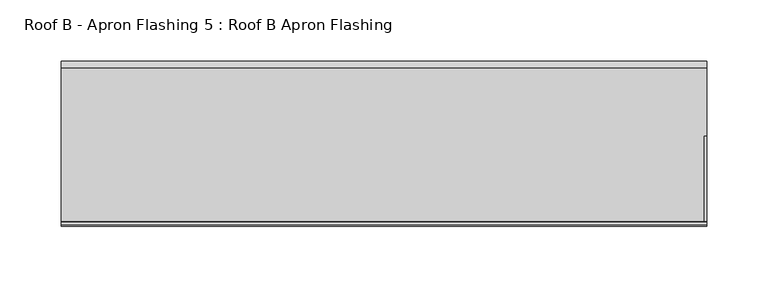
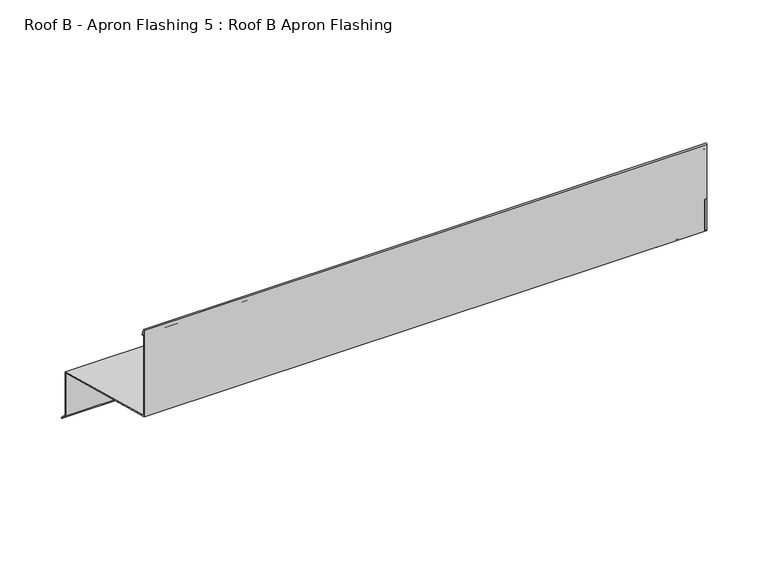
"""IFC4 building model written with IfcOpenShell, lengths in millimetres: proxy geometry, Roof B - Apron Flashing 5 : Roof B Apron Flashing."""

from ifc_helpers import new_model, si_unit, point, frame, frame_2d, origin, place, context, project, spatial, polyline, circle_curve, trimmed, segment, composite_curve, outline, extrude, source, transform, mapped, element, save


def roof_b_apron_flashing_5_roof_b_apron_flashing_4c40ed42(model_context):
    return source(origin(), model_context, "Body", "SweptSolid", [
        extrude(outline(polyline([(673.2344915, -388.7215885), (623.6115096, -375.4251505), (623.6115096, -332.8039427), (673.2344915, -346.1003806), (673.2344915, -388.7215885)])), frame((13694.3541786, 0.0, 0.0), z_axis=(1.0, 0.0, 0.0), x_axis=(0.0, 1.0, 0.0)), (0.0, 0.0, 1.0), 2.0),
        extrude(outline(polyline([(618.6115096, -330.4289205), (544.8615096, -310.6676676), (544.8615096, -279.7934577), (618.6115096, -299.5547107), (618.6115096, -330.4289205)])), frame((13694.3541786, 0.0, 0.0), z_axis=(1.0, 0.0, 0.0), x_axis=(0.0, 1.0, 0.0)), (0.0, 0.0, 1.0), 2.0),
        extrude(outline(composite_curve([segment(polyline([(674.2344915, -345.3330536), (674.2344915, -388.338713), (680.2651268, -394.3693483), (679.55802, -395.0764551), (673.2344915, -388.7529266), (673.2344915, -346.1003806), (544.8615096, -311.7029438), (544.8615096, -225.8538686)]), True, "CONTINUOUS"), segment(trimmed(circle_curve(frame_2d((545.5405538, -225.8538686)), 0.6790442), [point((544.8615096, -225.8538686))], [point((546.1701526, -225.5994942))], False, "CARTESIAN"), True, "CONTINUOUS"), segment(polyline([(546.1701526, -225.5994942), (548.5846074, -231.5754797)]), True, "CONTINUOUS"), segment(trimmed(circle_curve(frame_2d((548.1210155, -231.762783)), 0.5), [point((548.5846074, -231.5754797))], [point((547.6574236, -231.9500863))], False, "CARTESIAN"), True, "CONTINUOUS"), segment(polyline([(547.6574236, -231.9500863), (545.8615096, -227.5050431), (545.8615096, -310.9356168), (674.2344915, -345.3330536)]), True, "CONTINUOUS")], self_intersect=False)), frame((13167.4791786, 0.0, 0.0), z_axis=(1.0, 0.0, 0.0), x_axis=(0.0, 1.0, 0.0)), (0.0, 0.0, 1.0), 528.875),
    ])


if __name__ == "__main__":
    model = new_model("IFC4")
    model_context = context("Model", 3, world=origin())
    ifc_project = project(units=[si_unit("LENGTHUNIT", "METRE", prefix="MILLI")], contexts=[model_context])
    site = spatial("IfcSite", under=ifc_project)
    building = spatial("IfcBuilding", under=site)
    placement = place(None, origin())
    roof_b_apron_flashing_5_roof_b_apron_flashing_shape = roof_b_apron_flashing_5_roof_b_apron_flashing_4c40ed42(model_context)
    element("IfcBuildingElementProxy", 1, Name="Roof B - Apron Flashing 5 : Roof B Apron Flashing", ObjectType="Roof B - Apron Flashing 5 : Roof B Apron Flashing", at=placement, inside=building, context=model_context, shape_type="MappedRepresentation", body=[
        mapped(roof_b_apron_flashing_5_roof_b_apron_flashing_shape, transform((0.0, 0.0, 0.0), x_axis=(1.0, 0.0, 0.0), y_axis=(0.0, 1.0, 0.0), z_axis=(0.0, 0.0, 1.0))),
    ])
    save(model, "model.ifc")
